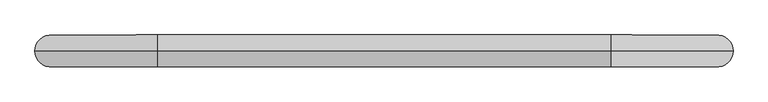
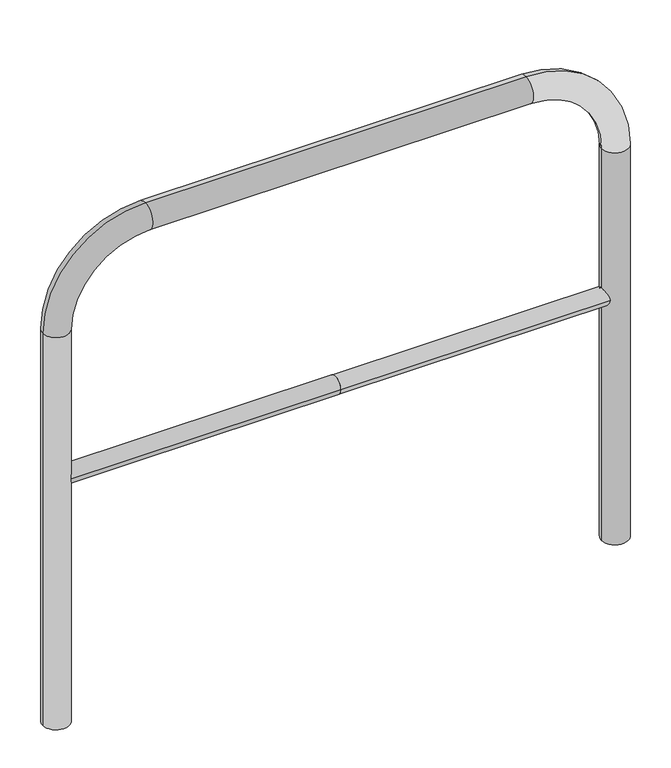
"""IFC4 building model written with IfcOpenShell, lengths in millimetres: proxy geometry."""

from ifc_helpers import new_model, si_unit, point, frame, frame_2d, origin, place, context, project, spatial, circle_curve, ellipse_curve, trimmed, segment, composite_curve, outline, extrude, source, transform, mapped, element, save
from ifc_brep_helpers import plane_surface, cylinder_surface, revolved_surface, advanced_brep


def generic_models_1a4ce0e8(model_context):
    return source(origin(), model_context, "Body", "SolidModel", [
        extrude(outline(composite_curve([segment(trimmed(circle_curve(frame_2d((0.0, 498.4778375)), 20.0), [point((20.0, 498.4778375))], [point((-20.0, 498.4778375))], False, "CARTESIAN"), True, "CONTINUOUS"), segment(trimmed(circle_curve(frame_2d((0.0, 498.4778375)), 20.0), [point((-20.0, 498.4778375))], [point((20.0, 498.4778375))], False, "CARTESIAN"), True, "CONTINUOUS")], self_intersect=False)), frame((-627.0814098, 0.0, 0.0), z_axis=(1.0, 0.0, 0.0), x_axis=(0.0, 1.0, 0.0)), (0.0, 0.0, 1.0), 627.0814098),
        extrude(outline(composite_curve([segment(trimmed(circle_curve(frame_2d((0.0, 498.4778375)), 20.0), [point((20.0, 498.4778375))], [point((-20.0, 498.4778375))], False, "CARTESIAN"), True, "CONTINUOUS"), segment(trimmed(circle_curve(frame_2d((0.0, 498.4778375)), 20.0), [point((-20.0, 498.4778375))], [point((20.0, 498.4778375))], False, "CARTESIAN"), True, "CONTINUOUS")], self_intersect=False)), frame((0.0, 0.0, 0.0), z_axis=(1.0, 0.0, 0.0), x_axis=(0.0, 1.0, 0.0)), (0.0, 0.0, 1.0), 627.0814098),
        advanced_brep(
        [(-597.0814098, 0.0, -80.0), (-657.0814098, 0.0, -80.0), (-657.0814098, 0.0, 850.0), (-597.0814098, 0.0, 850.0), (-427.0814098, 0.0, 1080.0), (-427.0814098, 0.0, 1020.0), (427.0814098, 0.0, 1080.0), (427.0814098, 0.0, 1020.0), (657.0814098, 0.0, 850.0), (597.0814098, 0.0, 850.0), (597.0814098, 0.0, -80.0), (657.0814098, 0.0, -80.0)],
        [
            (0, 1, circle_curve(frame((-627.0814098, 0.0, -80.0), z_axis=(0.0, 0.0, -1.0), x_axis=(-1.0, 0.0, 0.0)), 30.0)),
            (1, 0, circle_curve(frame((-627.0814098, 0.0, -80.0), z_axis=(0.0, 0.0, -1.0), x_axis=(-1.0, 0.0, 0.0)), 30.0)),
            (1, 2),
            (2, 3, circle_curve(frame((-627.0814098, 0.0, 850.0), z_axis=(0.0, 0.0, -1.0), x_axis=(-1.0, 0.0, 0.0)), 30.0)),
            (3, 0),
            (3, 2, circle_curve(frame((-627.0814098, 0.0, 850.0), z_axis=(0.0, 0.0, -1.0), x_axis=(-1.0, 0.0, 0.0)), 30.0)),
            (4, 5, circle_curve(frame((-427.0814098, 0.0, 1050.0), z_axis=(-1.0, 0.0, 0.0), x_axis=(0.0, 0.0, 1.0)), 30.0)),
            (5, 3, circle_curve(frame((-427.0814098, 0.0, 850.0), z_axis=(0.0, -1.0, 0.0), x_axis=(-1.0, 0.0, 0.0)), 170.0)),
            (2, 4, circle_curve(frame((-427.0814098, 0.0, 850.0), z_axis=(0.0, 1.0, 0.0), x_axis=(-1.0, 0.0, 0.0)), 230.0)),
            (5, 4, circle_curve(frame((-427.0814098, 0.0, 1050.0), z_axis=(-1.0, 0.0, 0.0), x_axis=(0.0, 0.0, 1.0)), 30.0)),
            (4, 6),
            (6, 7, circle_curve(frame((427.0814098, 0.0, 1050.0), z_axis=(-1.0, 0.0, 0.0), x_axis=(0.0, 0.0, 1.0)), 30.0)),
            (7, 5),
            (7, 6, circle_curve(frame((427.0814098, 0.0, 1050.0), z_axis=(-1.0, 0.0, 0.0), x_axis=(0.0, 0.0, 1.0)), 30.0)),
            (8, 9, circle_curve(frame((627.0814098, 0.0, 850.0), z_axis=(0.0, 0.0, 1.0), x_axis=(1.0, 0.0, 0.0)), 30.0)),
            (9, 7, circle_curve(frame((427.0814098, 0.0, 850.0), z_axis=(0.0, -1.0, 0.0), x_axis=(0.0, 0.0, 1.0)), 170.0)),
            (6, 8, circle_curve(frame((427.0814098, 0.0, 850.0), z_axis=(0.0, 1.0, 0.0), x_axis=(0.0, 0.0, 1.0)), 230.0)),
            (9, 8, circle_curve(frame((627.0814098, 0.0, 850.0), z_axis=(0.0, 0.0, 1.0), x_axis=(1.0, 0.0, 0.0)), 30.0)),
            (10, 11, circle_curve(frame((627.0814098, 0.0, -80.0), z_axis=(0.0, 0.0, -1.0), x_axis=(1.0, 0.0, 0.0)), 30.0)),
            (11, 10, circle_curve(frame((627.0814098, 0.0, -80.0), z_axis=(0.0, 0.0, -1.0), x_axis=(1.0, 0.0, 0.0)), 30.0)),
            (8, 11),
            (10, 9),
        ],
        [
            plane_surface(frame((-627.0814098, 0.0, -80.0), z_axis=(0.0, 0.0, -1.0), x_axis=(0.0, 1.0, 0.0))),
            cylinder_surface(frame((-627.0814098, 0.0, -80.0), z_axis=(0.0, 0.0, -1.0), x_axis=(-1.0, 0.0, 0.0)), 30.0),
            revolved_surface(trimmed(ellipse_curve(frame((-627.0814098, 0.0, 850.0), z_axis=(0.0, 0.0, 1.0), x_axis=(-1.0, 0.0, 0.0)), 30.0, 30.0), [point((-597.0814098, 0.0, 850.0))], [point((-657.0814098, 0.0, 850.0))], True, "CARTESIAN"), (-427.0814098, 0.0, 850.0), (0.0, -1.0, 0.0)),
            revolved_surface(trimmed(ellipse_curve(frame((-627.0814098, 0.0, 850.0), z_axis=(0.0, 0.0, 1.0), x_axis=(-1.0, 0.0, 0.0)), 30.0, 30.0), [point((-657.0814098, 0.0, 850.0))], [point((-597.0814098, 0.0, 850.0))], True, "CARTESIAN"), (-427.0814098, 0.0, 850.0), (0.0, -1.0, 0.0)),
            cylinder_surface(frame((-427.0814098, 0.0, 1050.0), z_axis=(-1.0, 0.0, 0.0), x_axis=(0.0, 0.0, 1.0)), 30.0),
            revolved_surface(trimmed(ellipse_curve(frame((427.0814098, 0.0, 1050.0), z_axis=(1.0, 0.0, 0.0), x_axis=(0.0, 0.0, 1.0)), 30.0, 30.0), [point((427.0814098, 0.0, 1020.0))], [point((427.0814098, 0.0, 1080.0))], True, "CARTESIAN"), (427.0814098, 0.0, 850.0), (0.0, -1.0, 0.0)),
            revolved_surface(trimmed(ellipse_curve(frame((427.0814098, 0.0, 1050.0), z_axis=(1.0, 0.0, 0.0), x_axis=(0.0, 0.0, 1.0)), 30.0, 30.0), [point((427.0814098, 0.0, 1080.0))], [point((427.0814098, 0.0, 1020.0))], True, "CARTESIAN"), (427.0814098, 0.0, 850.0), (0.0, -1.0, 0.0)),
            plane_surface(frame((627.0814098, 0.0, -80.0), z_axis=(0.0, 0.0, -1.0), x_axis=(0.0, 1.0, 0.0))),
            cylinder_surface(frame((627.0814098, 0.0, 850.0), z_axis=(0.0, 0.0, 1.0), x_axis=(1.0, 0.0, 0.0)), 30.0),
        ],
        [
            (0, [[1, 2]]),
            (1, [[3, 4, 5, -2]]),
            (1, [[-5, 6, -3, -1]]),
            (2, [[7, 8, -4, 9]]),
            (3, [[10, -9, -6, -8]]),
            (4, [[11, 12, 13, -7]]),
            (4, [[-13, 14, -11, -10]]),
            (5, [[15, 16, -12, 17]]),
            (6, [[18, -17, -14, -16]]),
            (7, [[19, 20]]),
            (8, [[21, -19, 22, -15]]),
            (8, [[-22, -20, -21, -18]]),
        ],
    ),
    ])


if __name__ == "__main__":
    model = new_model("IFC4")
    model_context = context("Model", 3, world=origin())
    ifc_project = project(units=[si_unit("LENGTHUNIT", "METRE", prefix="MILLI")], contexts=[model_context])
    site = spatial("IfcSite", under=ifc_project)
    building = spatial("IfcBuilding", under=site)
    placement = place(None, origin())
    generic_models_shape = generic_models_1a4ce0e8(model_context)
    element("IfcBuildingElementProxy", 1, Name="Generic Models", at=placement, inside=building, context=model_context, shape_type="MappedRepresentation", body=[
        mapped(generic_models_shape, transform((0.0, 0.0, 0.0), x_axis=(1.0, 0.0, 0.0), y_axis=(0.0, 1.0, 0.0), z_axis=(0.0, 0.0, 1.0))),
    ])
    save(model, "model.ifc")
